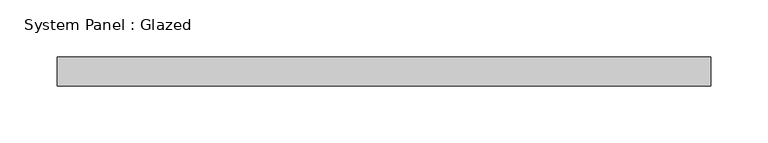
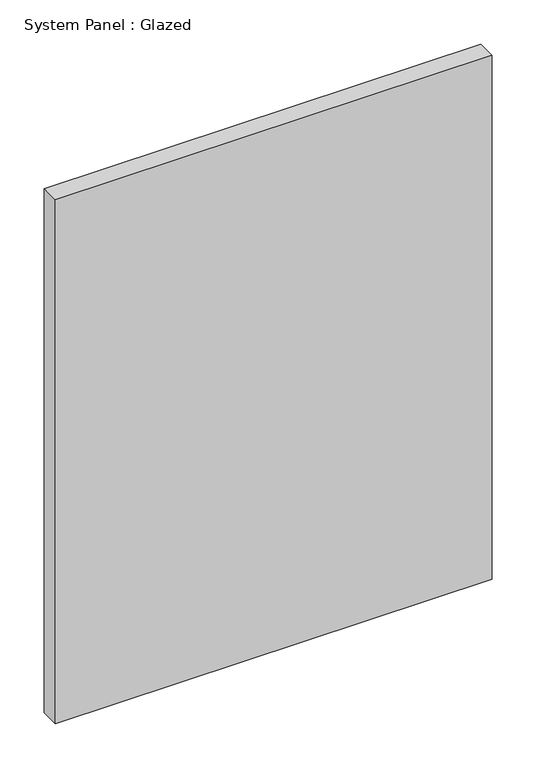
"""IFC4 building model written with IfcOpenShell, lengths in millimetres: plate geometry, System Panel : Glazed."""

from ifc_helpers import new_model, si_unit, origin, origin_with_axes, place, context, project, spatial, polyline, outline, extrude, source, transform, mapped, element, save


def system_panel_glazed_6c7de63c(model_context):
    return source(origin(), model_context, "Body", "SweptSolid", [
        extrude(outline(polyline([(286.5, 19.05), (-286.5, 19.05), (-286.5, 44.45), (286.5, 44.45), (286.5, 19.05)])), origin_with_axes(), (0.0, 0.0, 1.0), 726.5),
    ])


if __name__ == "__main__":
    model = new_model("IFC4")
    model_context = context("Model", 3, world=origin())
    ifc_project = project(units=[si_unit("LENGTHUNIT", "METRE", prefix="MILLI")], contexts=[model_context])
    site = spatial("IfcSite", under=ifc_project)
    building = spatial("IfcBuilding", under=site)
    placement = place(None, origin())
    system_panel_glazed_shape = system_panel_glazed_6c7de63c(model_context)
    element("IfcPlate", 1, ObjectType="System Panel : Glazed", at=placement, inside=building, context=model_context, shape_type="MappedRepresentation", body=[
        mapped(system_panel_glazed_shape, transform((0.0, 0.0, 0.0), x_axis=(1.0, 0.0, 0.0), y_axis=(0.0, 1.0, 0.0), z_axis=(0.0, 0.0, 1.0))),
    ])
    save(model, "model.ifc")
